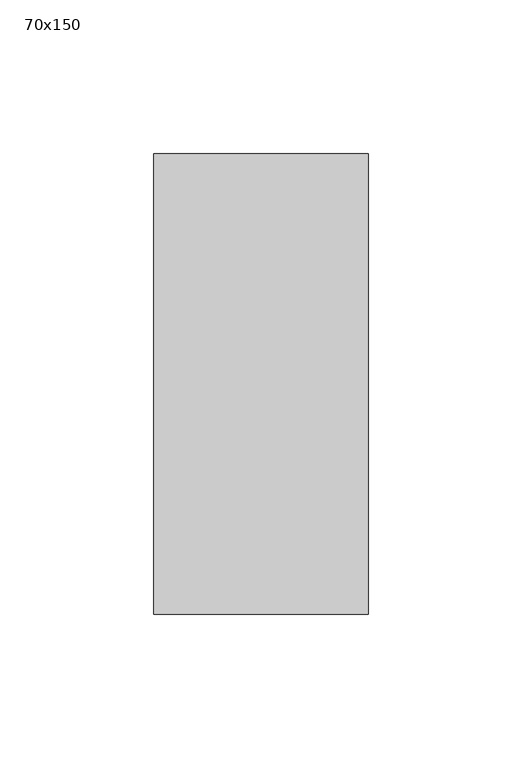
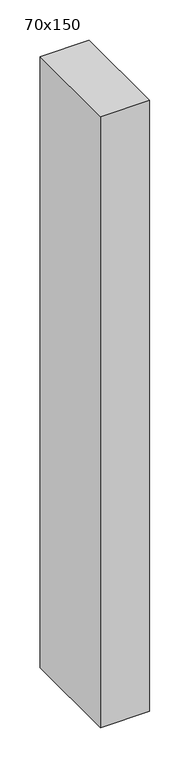
"""IFC4 building model written with IfcOpenShell, lengths in millimetres: member geometry, 70x150."""

from ifc_helpers import new_model, si_unit, frame, origin, place, context, project, spatial, polyline, outline, extrude, source, transform, mapped, element, save


def member_70x150_8bab1bdf(model_context):
    return source(origin(), model_context, "Body", "SweptSolid", [
        extrude(outline(polyline([(35.0, 75.0), (35.0, -75.0), (-35.0, -75.0), (-35.0, 75.0), (35.0, 75.0)])), frame((0.0, 0.0, -925.0), z_axis=(0.0, 0.0, 1.0), x_axis=(1.0, 0.0, 0.0)), (0.0, 0.0, 1.0), 925.0),
    ])


if __name__ == "__main__":
    model = new_model("IFC4")
    model_context = context("Model", 3, world=origin())
    ifc_project = project(units=[si_unit("LENGTHUNIT", "METRE", prefix="MILLI")], contexts=[model_context])
    site = spatial("IfcSite", under=ifc_project)
    building = spatial("IfcBuilding", under=site)
    placement = place(None, origin())
    member_70x150_shape = member_70x150_8bab1bdf(model_context)
    element("IfcMember", 1, ObjectType="70x150", at=placement, inside=building, context=model_context, shape_type="MappedRepresentation", body=[
        mapped(member_70x150_shape, transform((0.0, 0.0, 0.0), x_axis=(1.0, 0.0, 0.0), y_axis=(0.0, 1.0, 0.0), z_axis=(0.0, 0.0, 1.0))),
    ])
    save(model, "model.ifc")
